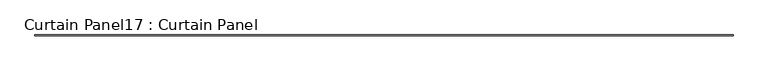
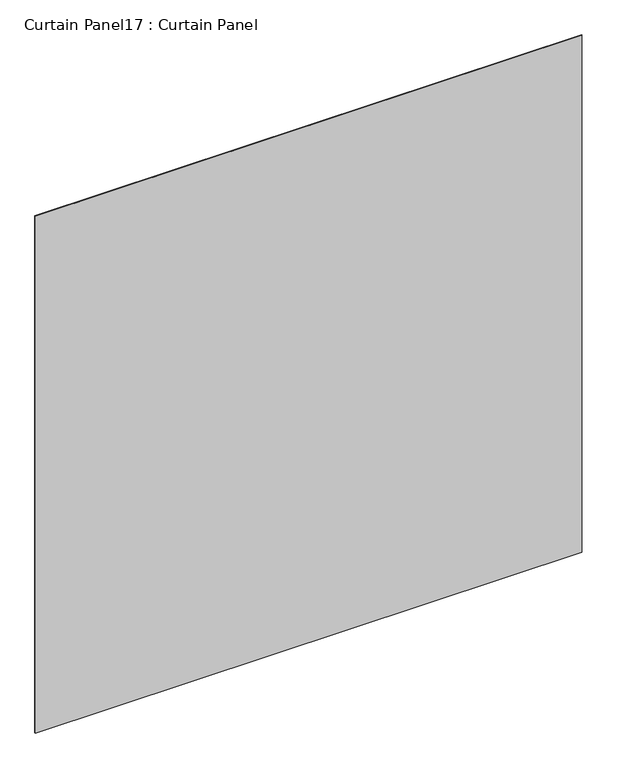
"""IFC4 building model written with IfcOpenShell, lengths in millimetres: plate geometry, Curtain Panel17 : Curtain Panel."""

import ifcopenshell
import ifcopenshell.guid

model = None  # the IFC model being written
_history = None  # IfcOwnerHistory: only IFC2X3 demands one
_inside = {}  # id of a spatial element -> (the spatial element, [elements in it])
_under = {}  # id of a project, library or spatial element -> (it, [spatial elements below it])
_declared = {}  # id of a project -> (the project, [libraries it declares])
_typed = {}  # id of a type object -> (the type object, [elements of that type])
_made_of = {}  # id of a material, layer set ... -> (it, [elements and type objects made of it])


def new_model(schema):
    """Start an empty IFC model of exactly this schema.

    Asked for "IFC4X3", IfcOpenShell would pick the latest addendum, in which some entities
    have other attributes; the version numbers below select the first issue.
    IFC2X3 requires an IfcOwnerHistory on every rooted entity: one is made here for all.
    """
    global model, _history
    if schema == "IFC4X3":
        model = ifcopenshell.file(schema_version=(4, 3, 0, 0))
    else:
        model = ifcopenshell.file(schema=schema)
    _inside.clear()
    _under.clear()
    _declared.clear()
    _typed.clear()
    _made_of.clear()
    _history = None
    if model.schema == "IFC2X3":
        org = make("IfcOrganization", Name="unknown")
        user = make(
            "IfcPersonAndOrganization",
            ThePerson=make("IfcPerson", FamilyName="unknown"),
            TheOrganization=org,
        )
        app = make(
            "IfcApplication",
            ApplicationDeveloper=org,
            Version="unknown",
            ApplicationFullName="unknown",
            ApplicationIdentifier="unknown",
        )
        _history = make(
            "IfcOwnerHistory",
            OwningUser=user,
            OwningApplication=app,
            ChangeAction="ADDED",
            CreationDate=0,
        )
    return model


def make(cls, **values):
    """One entity of the class cls with the attributes given. An attribute that is None is left unset."""
    return model.create_entity(
        cls, **{name: value for name, value in values.items() if value is not None}
    )


def rooted(cls, **values):
    """An entity with a GlobalId (a new one), such as an element, a storey or a relation."""
    return make(cls, GlobalId=ifcopenshell.guid.new(), OwnerHistory=_history, **values)


def si_unit(unit_type, name, prefix=None):
    """IfcSIUnit, for example si_unit("LENGTHUNIT", "METRE", prefix="MILLI")."""
    return make("IfcSIUnit", UnitType=unit_type, Prefix=prefix, Name=name)


def assignment(units):
    """IfcUnitAssignment: the units of a project."""
    return None if units is None else make("IfcUnitAssignment", Units=units)


def point(xyz):
    """IfcCartesianPoint."""
    return None if xyz is None else make("IfcCartesianPoint", Coordinates=xyz)


def direction(xyz):
    """IfcDirection."""
    return None if xyz is None else make("IfcDirection", DirectionRatios=xyz)


def frame(location, z_axis=None, x_axis=None):
    """IfcAxis2Placement3D, a coordinate frame: its origin and axes. An axis left out is left unset."""
    return make(
        "IfcAxis2Placement3D",
        Location=point(location),
        Axis=direction(z_axis),
        RefDirection=direction(x_axis),
    )


def origin():
    """The frame at (0, 0, 0) with its axes left unset."""
    return frame((0.0, 0.0, 0.0))


def place(relative_to, where):
    """IfcLocalPlacement: puts the frame where relative to a parent placement (None: the world)."""
    return make(
        "IfcLocalPlacement", PlacementRelTo=relative_to, RelativePlacement=where
    )


def context(
    kind, dimensions, precision=None, world=None, true_north=None, identifier=None
):
    """IfcGeometricRepresentationContext, for example the 3D "Model" context."""
    return make(
        "IfcGeometricRepresentationContext",
        ContextIdentifier=identifier,
        ContextType=kind,
        CoordinateSpaceDimension=dimensions,
        Precision=precision,
        WorldCoordinateSystem=world,
        TrueNorth=true_north,
    )


def project(units=None, contexts=None):
    """IfcProject with its units and contexts."""
    return rooted(
        "IfcProject",
        Name="project",
        RepresentationContexts=contexts,
        UnitsInContext=assignment(units),
    )


def spatial(cls, under=None, at=None, **own):
    """A site, building, storey or space (cls), placed at a placement, below another one or the project."""
    s = rooted(cls, ObjectPlacement=at, **own)
    if under is not None:
        _under.setdefault(under.id(), (under, []))[1].append(s)
    return s


def polyline(points):
    """IfcPolyline through the points."""
    return make("IfcPolyline", Points=[point(p) for p in points])


def outline(outer, holes=None, kind="AREA"):
    """IfcArbitraryClosedProfileDef: a profile drawn as a closed curve; with holes, ...WithVoids."""
    if holes is None:
        return make("IfcArbitraryClosedProfileDef", ProfileType=kind, OuterCurve=outer)
    return make(
        "IfcArbitraryProfileDefWithVoids",
        ProfileType=kind,
        OuterCurve=outer,
        InnerCurves=holes,
    )


def extrude(swept, where, along, depth):
    """IfcExtrudedAreaSolid: the profile swept, set in the frame where, extruded along a direction by depth."""
    return make(
        "IfcExtrudedAreaSolid",
        SweptArea=swept,
        Position=where,
        ExtrudedDirection=direction(along),
        Depth=depth,
    )


def shape(context_of_items, identifier, shape_type, items):
    """IfcShapeRepresentation: the items that make up one representation, for example the "Body"."""
    return make(
        "IfcShapeRepresentation",
        ContextOfItems=context_of_items,
        RepresentationIdentifier=identifier,
        RepresentationType=shape_type,
        Items=items,
    )


def source(mapping_origin, context_of_items, identifier, shape_type, items):
    """IfcRepresentationMap: a shape defined once, which mapped items show again and again."""
    return make(
        "IfcRepresentationMap",
        MappingOrigin=mapping_origin,
        MappedRepresentation=shape(context_of_items, identifier, shape_type, items),
    )


def transform(
    local_origin,
    x_axis=None,
    y_axis=None,
    z_axis=None,
    scale=None,
    scale2=None,
    scale3=None,
    uniform=True,
):
    """IfcCartesianTransformationOperator3D, or its non-uniform kind. x_axis, y_axis, z_axis: its Axis1, 2, 3."""
    if uniform:
        return make(
            "IfcCartesianTransformationOperator3D",
            Axis1=direction(x_axis),
            Axis2=direction(y_axis),
            LocalOrigin=point(local_origin),
            Scale=scale,
            Axis3=direction(z_axis),
        )
    return make(
        "IfcCartesianTransformationOperator3DnonUniform",
        Axis1=direction(x_axis),
        Axis2=direction(y_axis),
        LocalOrigin=point(local_origin),
        Scale=scale,
        Axis3=direction(z_axis),
        Scale2=scale2,
        Scale3=scale3,
    )


def mapped(mapping_source, mapping_target):
    """IfcMappedItem: shows the shape of a source again, moved by a transform."""
    return make(
        "IfcMappedItem", MappingSource=mapping_source, MappingTarget=mapping_target
    )


def made_of(thing, what):
    """Note that an element or type object is made of a material, layer set ...; save() writes the relation."""
    if what is not None:
        _made_of.setdefault(what.id(), (what, []))[1].append(thing)
    return thing


def element(
    cls,
    number,
    at=None,
    inside=None,
    cuts=None,
    type_object=None,
    material=None,
    context=None,
    identifier="Body",
    shape_type=None,
    held_by="IfcProductDefinitionShape",
    body=None,
    shapes=None,
    **own,
):
    """One element of the class cls, such as IfcWall. Its Tag is "e" and its number.

    at: its placement. inside: the storey or other place that contains it. cuts: it is an
    opening in that element (IfcRelVoidsElement). A single representation is given by context,
    identifier, shape_type and body (its items); several are given by shapes. held_by: the class
    of the entity that holds the representations. save() writes the other relations.
    """
    e = rooted(cls, Tag="e%d" % number, ObjectPlacement=at, **own)
    if body is not None:
        shapes = [shape(context, identifier, shape_type, body)]
    if shapes is not None:
        e.Representation = make(held_by, Representations=shapes)
    if inside is not None:
        _inside.setdefault(inside.id(), (inside, []))[1].append(e)
    if cuts is not None:
        rooted(
            "IfcRelVoidsElement", RelatingBuildingElement=cuts, RelatedOpeningElement=e
        )
    if type_object is not None:
        _typed.setdefault(type_object.id(), (type_object, []))[1].append(e)
    return made_of(e, material)


def aggregate(whole, parts):
    """IfcRelAggregates: a whole, such as a stair, and the parts it consists of."""
    return rooted("IfcRelAggregates", RelatingObject=whole, RelatedObjects=parts)


def save(model, path):
    """Write the relations noted so far, then the file.

    IfcRelAggregates (storeys below a building ...), IfcRelContainedInSpatialStructure (elements
    in a storey), IfcRelDefinesByType, IfcRelAssociatesMaterial and IfcRelDeclares: one each for
    every whole, place, type object, material and project.
    """
    for whole, parts in _under.values():
        aggregate(whole, parts)
    for where, things in _inside.values():
        rooted(
            "IfcRelContainedInSpatialStructure",
            RelatedElements=things,
            RelatingStructure=where,
        )
    for kind, things in _typed.values():
        rooted("IfcRelDefinesByType", RelatedObjects=things, RelatingType=kind)
    for what, things in _made_of.values():
        rooted("IfcRelAssociatesMaterial", RelatedObjects=things, RelatingMaterial=what)
    for by, libraries in _declared.values():
        rooted("IfcRelDeclares", RelatingContext=by, RelatedDefinitions=libraries)
    model.write(path)


def curtain_panel17_curtain_panel_862c83ad(model_context):
    return source(origin(), model_context, "Body", "SweptSolid", [
        extrude(outline(polyline([(567562.3072295, 2919.3589143), (561513.9341345, 2919.3589143), (561513.9341345, 2925.7089143), (567562.3072295, 2925.7089143), (567562.3072295, 2919.3589143)])), frame((0.0, 0.0, 11330.2201465), z_axis=(0.0, 0.0, 1.0), x_axis=(1.0, 0.0, 0.0)), (0.0, 0.0, 1.0), 6044.1885606),
    ])


if __name__ == "__main__":
    model = new_model("IFC4")
    model_context = context("Model", 3, world=origin())
    ifc_project = project(units=[si_unit("LENGTHUNIT", "METRE", prefix="MILLI")], contexts=[model_context])
    site = spatial("IfcSite", under=ifc_project)
    building = spatial("IfcBuilding", under=site)
    placement = place(None, origin())
    curtain_panel17_curtain_panel_shape = curtain_panel17_curtain_panel_862c83ad(model_context)
    element("IfcPlate", 1, ObjectType="Curtain Panel17 : Curtain Panel", at=placement, inside=building, context=model_context, shape_type="MappedRepresentation", body=[
        mapped(curtain_panel17_curtain_panel_shape, transform((0.0, 0.0, 0.0), x_axis=(1.0, 0.0, 0.0), y_axis=(0.0, 1.0, 0.0), z_axis=(0.0, 0.0, 1.0))),
    ])
    save(model, "model.ifc")
